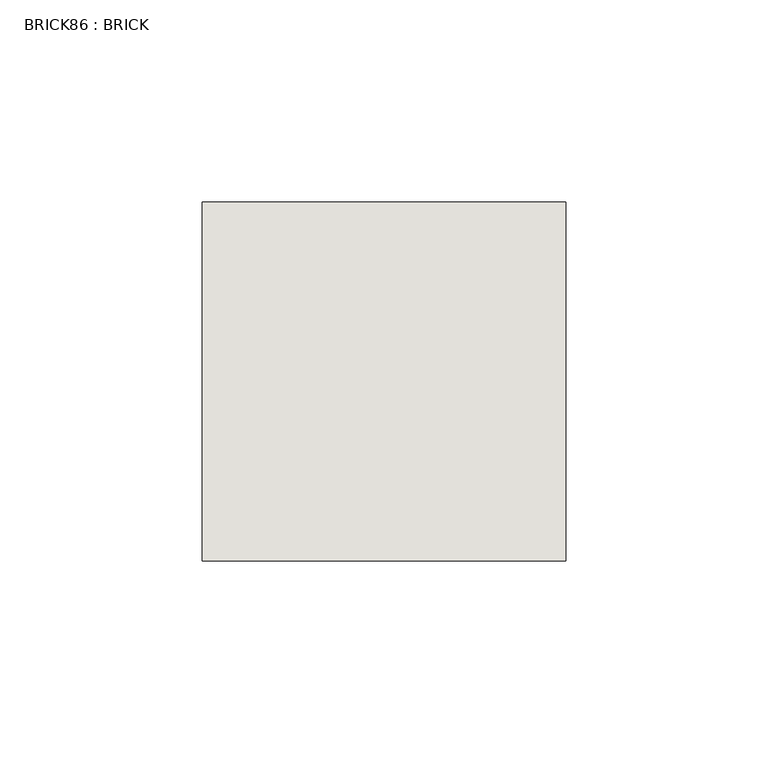
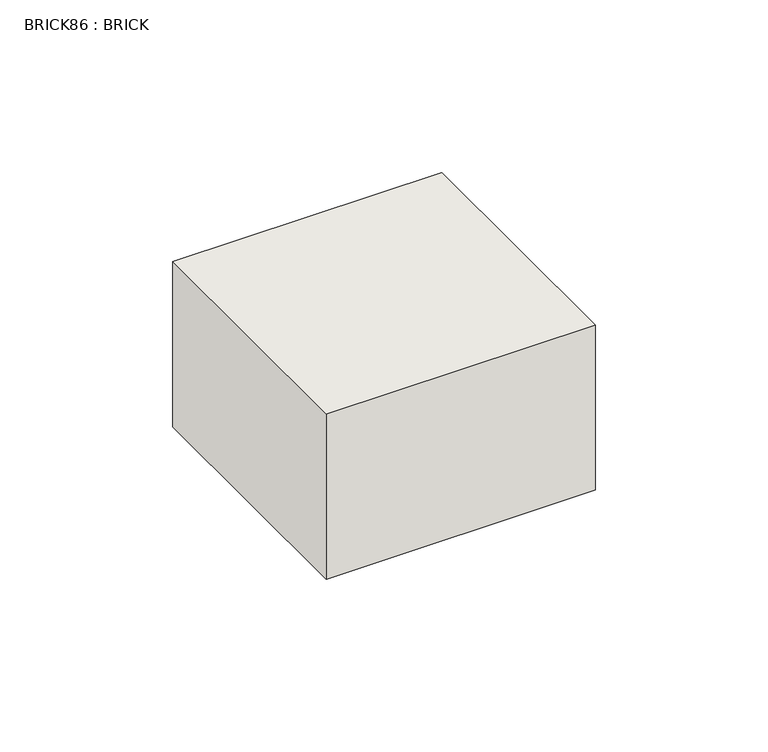
"""IFC4 building model written with IfcOpenShell, lengths in millimetres: wall geometry, BRICK86 : BRICK."""

from ifc_helpers import new_model, si_unit, frame, origin, place, context, project, spatial, polyline, outline, extrude, source, transform, mapped, element, save


def brick86_brick_6dfd9e7a(model_context):
    return source(origin(), model_context, "Body", "SweptSolid", [
        extrude(outline(polyline([(1544.9272594, 2586.2274125), (1634.9530711, 2586.2274125), (1634.9530711, 2497.3274125), (1544.9272594, 2497.3274125), (1544.9272594, 2586.2274125)])), frame((0.0, 0.0, -183.1578125), z_axis=(0.0, 0.0, 1.0), x_axis=(1.0, 0.0, 0.0)), (0.0, 0.0, 1.0), 58.4398437),
    ])


if __name__ == "__main__":
    model = new_model("IFC4")
    model_context = context("Model", 3, world=origin())
    ifc_project = project(units=[si_unit("LENGTHUNIT", "METRE", prefix="MILLI")], contexts=[model_context])
    site = spatial("IfcSite", under=ifc_project)
    building = spatial("IfcBuilding", under=site)
    placement = place(None, origin())
    brick86_brick_shape = brick86_brick_6dfd9e7a(model_context)
    element("IfcWall", 1, ObjectType="BRICK86 : BRICK", at=placement, inside=building, context=model_context, shape_type="MappedRepresentation", body=[
        mapped(brick86_brick_shape, transform((0.0, 0.0, 0.0), x_axis=(1.0, 0.0, 0.0), y_axis=(0.0, 1.0, 0.0), z_axis=(0.0, 0.0, 1.0))),
    ])
    save(model, "model.ifc")
